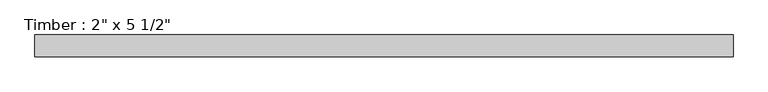
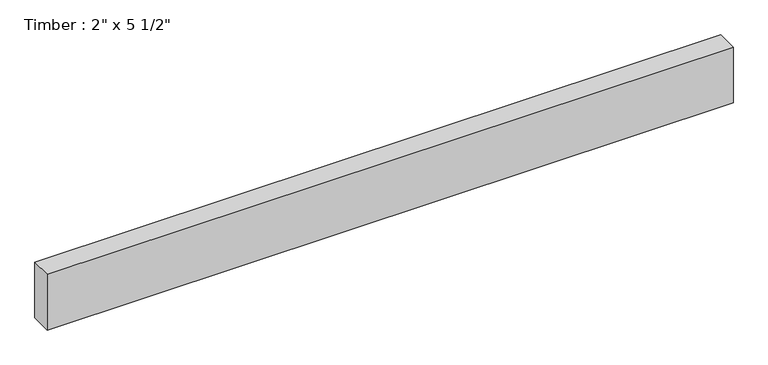
"""IFC4 building model written with IfcOpenShell, lengths in millimetres: beam geometry."""

from ifc_helpers import new_model, si_unit, frame, origin, place, context, project, spatial, polyline, outline, extrude, source, transform, mapped, element, save


def beam_8c1f88b7(model_context):
    return source(origin(), model_context, "Body", "SweptSolid", [
        extrude(outline(polyline([(775.4082934, 25.4), (775.4082934, -25.4), (-851.6331053, -25.4), (-851.6331053, 25.4), (775.4082934, 25.4)])), frame((0.0, 0.0, -69.85), z_axis=(0.0, 0.0, 1.0), x_axis=(1.0, 0.0, 0.0)), (0.0, 0.0, 1.0), 139.7),
    ])


if __name__ == "__main__":
    model = new_model("IFC4")
    model_context = context("Model", 3, world=origin())
    ifc_project = project(units=[si_unit("LENGTHUNIT", "METRE", prefix="MILLI")], contexts=[model_context])
    site = spatial("IfcSite", under=ifc_project)
    building = spatial("IfcBuilding", under=site)
    placement = place(None, origin())
    beam_shape = beam_8c1f88b7(model_context)
    element("IfcBeam", 1, ObjectType="Timber : 2\" x 5 1/2\"", at=placement, inside=building, context=model_context, shape_type="MappedRepresentation", body=[
        mapped(beam_shape, transform((0.0, 0.0, 0.0), x_axis=(1.0, 0.0, 0.0), y_axis=(0.0, 1.0, 0.0), z_axis=(0.0, 0.0, 1.0))),
    ])
    save(model, "model.ifc")
